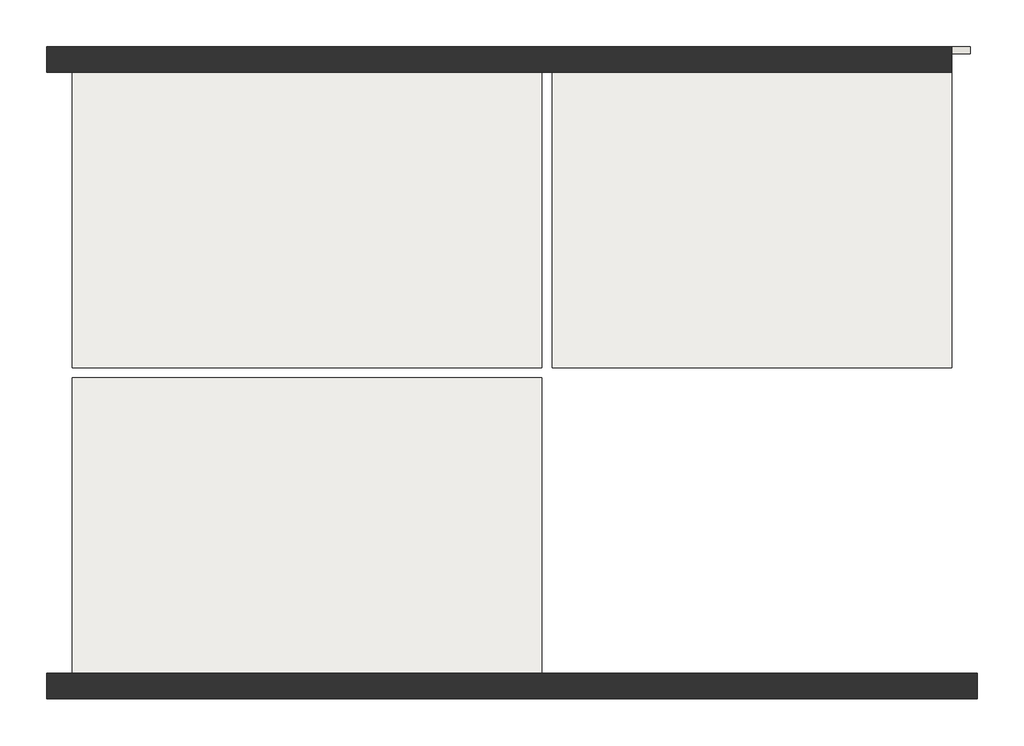
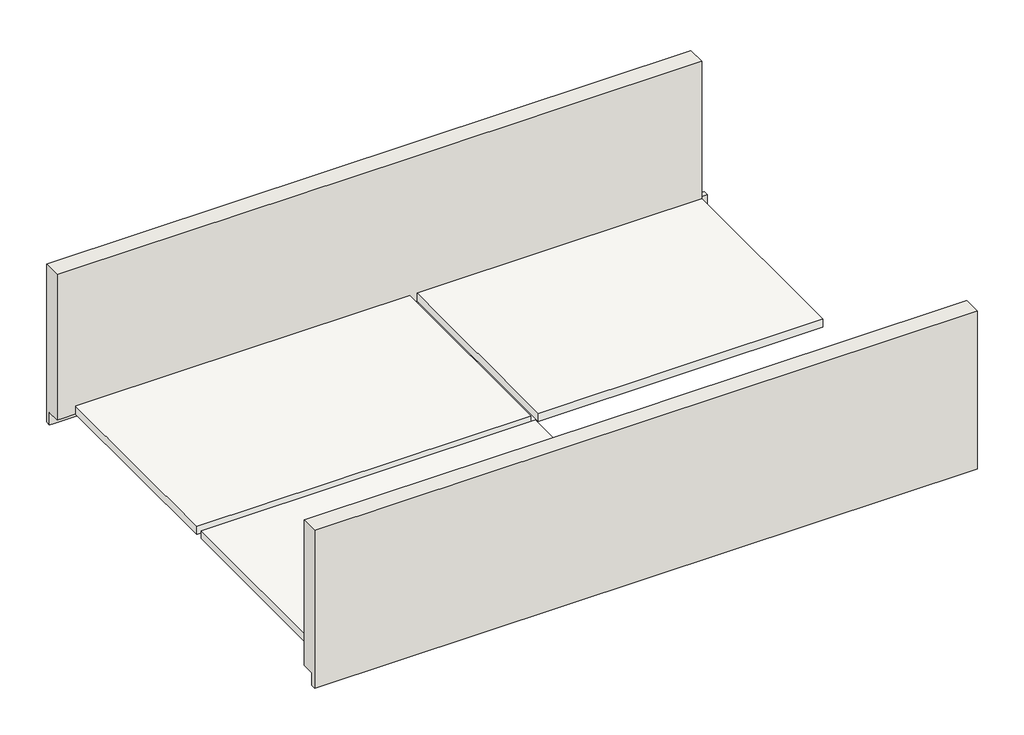
# One storey: 3 slabs, 2 walls.
"""IFC4 building model written with IfcOpenShell, lengths in millimetres."""

import ifcopenshell
import ifcopenshell.guid

model = None  # the IFC model being written
_history = None  # IfcOwnerHistory: only IFC2X3 demands one
_inside = {}  # id of a spatial element -> (the spatial element, [elements in it])
_under = {}  # id of a project, library or spatial element -> (it, [spatial elements below it])
_declared = {}  # id of a project -> (the project, [libraries it declares])
_typed = {}  # id of a type object -> (the type object, [elements of that type])
_made_of = {}  # id of a material, layer set ... -> (it, [elements and type objects made of it])


def new_model(schema):
    """Start an empty IFC model of exactly this schema.

    Asked for "IFC4X3", IfcOpenShell would pick the latest addendum, in which some entities
    have other attributes; the version numbers below select the first issue.
    IFC2X3 requires an IfcOwnerHistory on every rooted entity: one is made here for all.
    """
    global model, _history
    if schema == "IFC4X3":
        model = ifcopenshell.file(schema_version=(4, 3, 0, 0))
    else:
        model = ifcopenshell.file(schema=schema)
    _inside.clear()
    _under.clear()
    _declared.clear()
    _typed.clear()
    _made_of.clear()
    _history = None
    if model.schema == "IFC2X3":
        org = make("IfcOrganization", Name="unknown")
        user = make(
            "IfcPersonAndOrganization",
            ThePerson=make("IfcPerson", FamilyName="unknown"),
            TheOrganization=org,
        )
        app = make(
            "IfcApplication",
            ApplicationDeveloper=org,
            Version="unknown",
            ApplicationFullName="unknown",
            ApplicationIdentifier="unknown",
        )
        _history = make(
            "IfcOwnerHistory",
            OwningUser=user,
            OwningApplication=app,
            ChangeAction="ADDED",
            CreationDate=0,
        )
    return model


def make(cls, **values):
    """One entity of the class cls with the attributes given. An attribute that is None is left unset."""
    return model.create_entity(
        cls, **{name: value for name, value in values.items() if value is not None}
    )


def rooted(cls, **values):
    """An entity with a GlobalId (a new one), such as an element, a storey or a relation."""
    return make(cls, GlobalId=ifcopenshell.guid.new(), OwnerHistory=_history, **values)


def si_unit(unit_type, name, prefix=None):
    """IfcSIUnit, for example si_unit("LENGTHUNIT", "METRE", prefix="MILLI")."""
    return make("IfcSIUnit", UnitType=unit_type, Prefix=prefix, Name=name)


def assignment(units):
    """IfcUnitAssignment: the units of a project."""
    return None if units is None else make("IfcUnitAssignment", Units=units)


def point(xyz):
    """IfcCartesianPoint."""
    return None if xyz is None else make("IfcCartesianPoint", Coordinates=xyz)


def direction(xyz):
    """IfcDirection."""
    return None if xyz is None else make("IfcDirection", DirectionRatios=xyz)


def frame(location, z_axis=None, x_axis=None):
    """IfcAxis2Placement3D, a coordinate frame: its origin and axes. An axis left out is left unset."""
    return make(
        "IfcAxis2Placement3D",
        Location=point(location),
        Axis=direction(z_axis),
        RefDirection=direction(x_axis),
    )


def origin():
    """The frame at (0, 0, 0) with its axes left unset."""
    return frame((0.0, 0.0, 0.0))


def place(relative_to, where):
    """IfcLocalPlacement: puts the frame where relative to a parent placement (None: the world)."""
    return make(
        "IfcLocalPlacement", PlacementRelTo=relative_to, RelativePlacement=where
    )


def context(
    kind, dimensions, precision=None, world=None, true_north=None, identifier=None
):
    """IfcGeometricRepresentationContext, for example the 3D "Model" context."""
    return make(
        "IfcGeometricRepresentationContext",
        ContextIdentifier=identifier,
        ContextType=kind,
        CoordinateSpaceDimension=dimensions,
        Precision=precision,
        WorldCoordinateSystem=world,
        TrueNorth=true_north,
    )


def project(units=None, contexts=None):
    """IfcProject with its units and contexts."""
    return rooted(
        "IfcProject",
        Name="project",
        RepresentationContexts=contexts,
        UnitsInContext=assignment(units),
    )


def spatial(cls, under=None, at=None, **own):
    """A site, building, storey or space (cls), placed at a placement, below another one or the project."""
    s = rooted(cls, ObjectPlacement=at, **own)
    if under is not None:
        _under.setdefault(under.id(), (under, []))[1].append(s)
    return s


def polyline(points):
    """IfcPolyline through the points."""
    return make("IfcPolyline", Points=[point(p) for p in points])


def outline(outer, holes=None, kind="AREA"):
    """IfcArbitraryClosedProfileDef: a profile drawn as a closed curve; with holes, ...WithVoids."""
    if holes is None:
        return make("IfcArbitraryClosedProfileDef", ProfileType=kind, OuterCurve=outer)
    return make(
        "IfcArbitraryProfileDefWithVoids",
        ProfileType=kind,
        OuterCurve=outer,
        InnerCurves=holes,
    )


def extrude(swept, where, along, depth):
    """IfcExtrudedAreaSolid: the profile swept, set in the frame where, extruded along a direction by depth."""
    return make(
        "IfcExtrudedAreaSolid",
        SweptArea=swept,
        Position=where,
        ExtrudedDirection=direction(along),
        Depth=depth,
    )


def faces_of(points, faces, orient=None, outer=None):
    """IfcFace entities. A face is a list of loops; a loop is a list of indices into points, from 0.

    orient and outer hold one flag for each loop. By default every Orientation is true, the
    first loop of a face is its IfcFaceOuterBound and the others are IfcFaceBound.
    """
    made = []
    for i, loops in enumerate(faces):
        bounds = []
        for j, loop in enumerate(loops):
            is_outer = j == 0 if outer is None else outer[i][j]
            bounds.append(
                make(
                    "IfcFaceOuterBound" if is_outer else "IfcFaceBound",
                    Bound=make("IfcPolyLoop", Polygon=[points[k] for k in loop]),
                    Orientation=True if orient is None else orient[i][j],
                )
            )
        made.append(make("IfcFace", Bounds=bounds))
    return made


def faceted_brep(points, faces, orient=None, outer=None, voids=None):
    """IfcFacetedBrep: a solid bounded by flat faces; with voids (closed shells), ...WithVoids."""
    shared = [point(p) for p in points]
    hull = make("IfcClosedShell", CfsFaces=faces_of(shared, faces, orient, outer))
    if voids is None:
        return make("IfcFacetedBrep", Outer=hull)
    return make(
        "IfcFacetedBrepWithVoids",
        Outer=hull,
        Voids=[
            make(cls, CfsFaces=faces_of(shared, fs, o, b)) for cls, fs, o, b in voids
        ],
    )


def shape(context_of_items, identifier, shape_type, items):
    """IfcShapeRepresentation: the items that make up one representation, for example the "Body"."""
    return make(
        "IfcShapeRepresentation",
        ContextOfItems=context_of_items,
        RepresentationIdentifier=identifier,
        RepresentationType=shape_type,
        Items=items,
    )


def made_of(thing, what):
    """Note that an element or type object is made of a material, layer set ...; save() writes the relation."""
    if what is not None:
        _made_of.setdefault(what.id(), (what, []))[1].append(thing)
    return thing


def element(
    cls,
    number,
    at=None,
    inside=None,
    cuts=None,
    type_object=None,
    material=None,
    context=None,
    identifier="Body",
    shape_type=None,
    held_by="IfcProductDefinitionShape",
    body=None,
    shapes=None,
    **own,
):
    """One element of the class cls, such as IfcWall. Its Tag is "e" and its number.

    at: its placement. inside: the storey or other place that contains it. cuts: it is an
    opening in that element (IfcRelVoidsElement). A single representation is given by context,
    identifier, shape_type and body (its items); several are given by shapes. held_by: the class
    of the entity that holds the representations. save() writes the other relations.
    """
    e = rooted(cls, Tag="e%d" % number, ObjectPlacement=at, **own)
    if body is not None:
        shapes = [shape(context, identifier, shape_type, body)]
    if shapes is not None:
        e.Representation = make(held_by, Representations=shapes)
    if inside is not None:
        _inside.setdefault(inside.id(), (inside, []))[1].append(e)
    if cuts is not None:
        rooted(
            "IfcRelVoidsElement", RelatingBuildingElement=cuts, RelatedOpeningElement=e
        )
    if type_object is not None:
        _typed.setdefault(type_object.id(), (type_object, []))[1].append(e)
    return made_of(e, material)


def aggregate(whole, parts):
    """IfcRelAggregates: a whole, such as a stair, and the parts it consists of."""
    return rooted("IfcRelAggregates", RelatingObject=whole, RelatedObjects=parts)


def save(model, path):
    """Write the relations noted so far, then the file.

    IfcRelAggregates (storeys below a building ...), IfcRelContainedInSpatialStructure (elements
    in a storey), IfcRelDefinesByType, IfcRelAssociatesMaterial and IfcRelDeclares: one each for
    every whole, place, type object, material and project.
    """
    for whole, parts in _under.values():
        aggregate(whole, parts)
    for where, things in _inside.values():
        rooted(
            "IfcRelContainedInSpatialStructure",
            RelatedElements=things,
            RelatingStructure=where,
        )
    for kind, things in _typed.values():
        rooted("IfcRelDefinesByType", RelatedObjects=things, RelatingType=kind)
    for what, things in _made_of.values():
        rooted("IfcRelAssociatesMaterial", RelatedObjects=things, RelatingMaterial=what)
    for by, libraries in _declared.values():
        rooted("IfcRelDeclares", RelatingContext=by, RelatedDefinitions=libraries)
    model.write(path)


model = new_model("IFC4")

# Units and contexts
model_context = context("Model", 3, world=origin())
ifc_project = project(units=[si_unit("LENGTHUNIT", "METRE", prefix="MILLI")], contexts=[model_context])

# Site, building, storey
site = spatial("IfcSite", under=ifc_project)
building = spatial("IfcBuilding", under=site)
storey = spatial("IfcBuildingStorey", under=building, Elevation=3100.0)

# Slabs
placement = place(None, origin())
element("IfcSlab", 1, ObjectType="Floor_17", at=placement, inside=storey, context=model_context, shape_type="SweptSolid", body=[
    extrude(outline(polyline([(3476.1680841, 11664.6977103), (3476.1680841, 7424.6977103), (-3263.8319159, 7424.6977103), (-3263.8319159, 11664.6977103), (3476.1680841, 11664.6977103)])), frame((0.0, 0.0, 2930.0), z_axis=(0.0, 0.0, 1.0), x_axis=(1.0, 0.0, 0.0)), (0.0, 0.0, 1.0), 170.0),
])
element("IfcSlab", 2, ObjectType="Floor_17", at=placement, inside=storey, context=model_context, shape_type="SweptSolid", body=[
    extrude(outline(polyline([(9366.1680841, 11664.6977103), (9366.1680841, 7424.6977103), (3626.1680841, 7424.6977103), (3626.1680841, 11664.6977103), (9366.1680841, 11664.6977103)])), frame((0.0, 0.0, 2930.0), z_axis=(0.0, 0.0, 1.0), x_axis=(1.0, 0.0, 0.0)), (0.0, 0.0, 1.0), 170.0),
])
element("IfcSlab", 3, ObjectType="Floor_17", at=placement, inside=storey, context=model_context, shape_type="SweptSolid", body=[
    extrude(outline(polyline([(-3263.8319159, 3034.6977103), (-3263.8319159, 7274.6977103), (3476.1680841, 7274.6977103), (3476.1680841, 3034.6977103), (-3263.8319159, 3034.6977103)])), frame((0.0, 0.0, 2930.0), z_axis=(0.0, 0.0, 1.0), x_axis=(1.0, 0.0, 0.0)), (0.0, 0.0, 1.0), 170.0),
])

# Walls
element("IfcWall", 4, ObjectType="Wall_Ext_37cm", at=placement, inside=storey, context=model_context, shape_type="Brep", body=[
    faceted_brep([(9736.1680841, 2664.6977103, 6030.0), (-3633.8319159, 2664.6977103, 6030.0), (-3633.8319159, 2664.6977103, 2660.0), (9736.1680841, 2664.6977103, 2660.0), (-3633.8319159, 3034.6977103, 6030.0), (-3263.8319159, 3034.6977103, 6030.0), (3476.1680841, 3034.6977103, 6030.0), (3626.1680841, 3034.6977103, 6030.0), (9366.1680841, 3034.6977103, 6030.0), (9736.1680841, 3034.6977103, 6030.0), (9736.1680841, 3034.6977103, 2930.0), (9636.1680841, 3034.6977103, 2930.0), (9366.1680841, 3034.6977103, 2930.0), (3626.1680841, 3034.6977103, 2930.0), (3476.1680841, 3034.6977103, 2930.0), (-3263.8319159, 3034.6977103, 2930.0), (-3533.8319159, 3034.6977103, 2930.0), (-3633.8319159, 3034.6977103, 2930.0), (9736.1680841, 2764.6977103, 2930.0), (9636.1680841, 2764.6977103, 2930.0), (-3533.8319159, 2764.6977103, 2930.0), (-3633.8319159, 2764.6977103, 2930.0), (9736.1680841, 2764.6977103, 2660.0), (9636.1680841, 2764.6977103, 2660.0), (-3533.8319159, 2764.6977103, 2660.0), (-3633.8319159, 2764.6977103, 2660.0)], [[[0, 1, 2, 3]], [[4, 5, 6, 7, 8, 9, 10, 11, 12, 13, 14, 15, 16, 17]], [[1, 0, 9, 8, 7, 6, 5, 4]], [[10, 18, 19, 20, 21, 17, 16, 15, 14, 13, 12, 11]], [[0, 3, 22, 18, 10, 9]], [[18, 22, 23, 24, 25, 21, 20, 19]], [[3, 2, 25, 24, 23, 22]], [[2, 1, 4, 17, 21, 25]]]),
])
element("IfcWall", 5, ObjectType="Wall_Ext_37cm", at=placement, inside=storey, context=model_context, shape_type="Brep", body=[
    faceted_brep([(-3633.8319159, 12034.6977103, 6030.0), (9366.1680841, 12034.6977103, 6030.0), (9366.1680841, 12034.6977103, 2930.0), (9636.1680841, 12034.6977103, 2930.0), (9636.1680841, 12034.6977103, 2660.0), (9366.1680841, 12034.6977103, 2660.0), (-3263.8319159, 12034.6977103, 2660.0), (-3633.8319159, 12034.6977103, 2660.0), (9366.1680841, 11664.6977103, 6030.0), (3626.1680841, 11664.6977103, 6030.0), (3476.1680841, 11664.6977103, 6030.0), (-3263.8319159, 11664.6977103, 6030.0), (-3633.8319159, 11664.6977103, 6030.0), (-3633.8319159, 11664.6977103, 2930.0), (-3533.8319159, 11664.6977103, 2930.0), (-3263.8319159, 11664.6977103, 2930.0), (3476.1680841, 11664.6977103, 2930.0), (3626.1680841, 11664.6977103, 2930.0), (9366.1680841, 11664.6977103, 2930.0), (9366.1680841, 11934.6977103, 2930.0), (-3633.8319159, 11934.6977103, 2930.0), (-3533.8319159, 11934.6977103, 2930.0), (-3633.8319159, 11934.6977103, 2660.0), (-3533.8319159, 11934.6977103, 2660.0), (9636.1680841, 11934.6977103, 2660.0), (9636.1680841, 11934.6977103, 2930.0)], [[[0, 1, 2, 3, 4, 5, 6, 7]], [[8, 9, 10, 11, 12, 13, 14, 15, 16, 17, 18]], [[1, 0, 12, 11, 10, 9, 8]], [[19, 18, 17, 16, 15, 14, 13, 20, 21]], [[1, 8, 18, 19, 2]], [[20, 22, 23, 24, 25, 19, 21]], [[22, 7, 6, 5, 4, 24, 23]], [[0, 7, 22, 20, 13, 12]], [[3, 2, 19, 25]], [[24, 4, 3, 25]]]),
])

save(model, "model.ifc")
